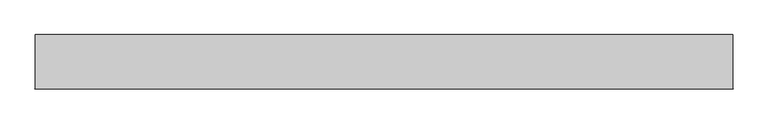
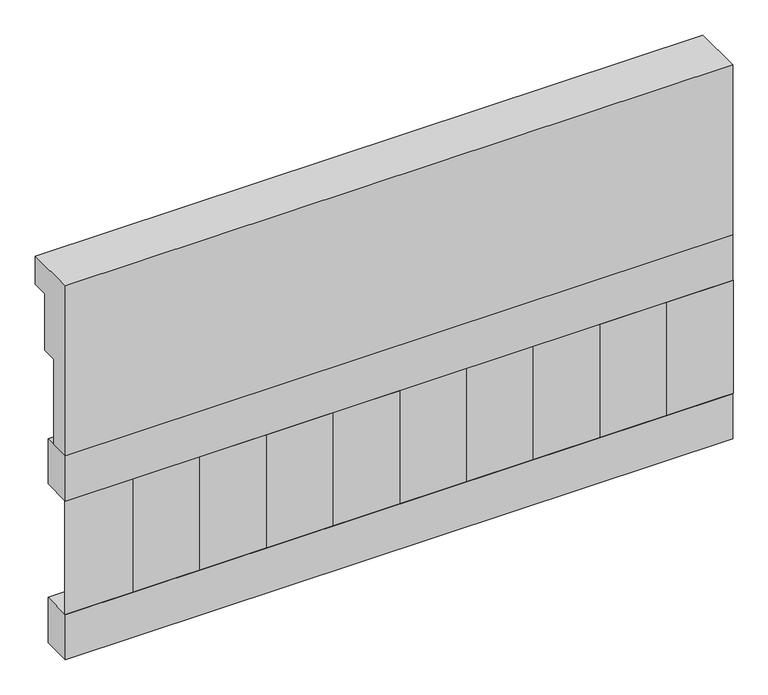
"""IFC4 building model written with IfcOpenShell, lengths in millimetres: railing geometry."""

from ifc_helpers import new_model, si_unit, frame, origin, place, context, project, spatial, polyline, outline, extrude, source, transform, mapped, element, save


def railing_77896916(model_context):
    return source(origin(), model_context, "Body", "SweptSolid", [
        extrude(outline(polyline([(903.1079487, 25100.0), (1033.1079487, 25100.0), (1033.1079487, 25025.0), (993.1079487, 25025.0), (993.1079487, 24875.0), (953.1079487, 24875.0), (953.1079487, 24650.0), (903.1079487, 24650.0), (903.1079487, 25100.0)])), frame((-19279.9887159, 0.0, 0.0), z_axis=(1.0, 0.0, 0.0), x_axis=(0.0, 1.0, 0.0)), (0.0, 0.0, 1.0), 1670.0),
        extrude(outline(polyline([(-17609.9887159, 978.1079487), (-17609.9887159, 903.1079487), (-19279.9887159, 903.1079487), (-19279.9887159, 978.1079487), (-17609.9887159, 978.1079487)])), frame((0.0, 0.0, 24530.0), z_axis=(0.0, 0.0, 1.0), x_axis=(1.0, 0.0, 0.0)), (0.0, 0.0, 1.0), 120.0),
        extrude(outline(polyline([(-17609.9887159, 978.1079487), (-17609.9887159, 903.1079487), (-19279.9887159, 903.1079487), (-19279.9887159, 978.1079487), (-17609.9887159, 978.1079487)])), frame((0.0, 0.0, 24110.0), z_axis=(0.0, 0.0, 1.0), x_axis=(1.0, 0.0, 0.0)), (0.0, 0.0, 1.0), 120.0),
        extrude(outline(polyline([(-19196.4887159, 987.9607624), (-19111.6359022, 903.1079487), (-19281.3415296, 903.1079487), (-19196.4887159, 987.9607624)])), frame((0.0, 0.0, 24230.0), z_axis=(0.0, 0.0, 1.0), x_axis=(1.0, 0.0, 0.0)), (0.0, 0.0, 1.0), 300.0),
        extrude(outline(polyline([(-19029.4887159, 987.9607624), (-18944.6359022, 903.1079487), (-19114.3415296, 903.1079487), (-19029.4887159, 987.9607624)])), frame((0.0, 0.0, 24230.0), z_axis=(0.0, 0.0, 1.0), x_axis=(1.0, 0.0, 0.0)), (0.0, 0.0, 1.0), 300.0),
        extrude(outline(polyline([(-18862.4887159, 987.9607624), (-18777.6359022, 903.1079487), (-18947.3415296, 903.1079487), (-18862.4887159, 987.9607624)])), frame((0.0, 0.0, 24230.0), z_axis=(0.0, 0.0, 1.0), x_axis=(1.0, 0.0, 0.0)), (0.0, 0.0, 1.0), 300.0),
        extrude(outline(polyline([(-18695.4887159, 987.9607624), (-18610.6359022, 903.1079487), (-18780.3415296, 903.1079487), (-18695.4887159, 987.9607624)])), frame((0.0, 0.0, 24230.0), z_axis=(0.0, 0.0, 1.0), x_axis=(1.0, 0.0, 0.0)), (0.0, 0.0, 1.0), 300.0),
        extrude(outline(polyline([(-18528.4887159, 987.9607624), (-18443.6359022, 903.1079487), (-18613.3415296, 903.1079487), (-18528.4887159, 987.9607624)])), frame((0.0, 0.0, 24230.0), z_axis=(0.0, 0.0, 1.0), x_axis=(1.0, 0.0, 0.0)), (0.0, 0.0, 1.0), 300.0),
        extrude(outline(polyline([(-18361.4887159, 987.9607624), (-18276.6359022, 903.1079487), (-18446.3415296, 903.1079487), (-18361.4887159, 987.9607624)])), frame((0.0, 0.0, 24230.0), z_axis=(0.0, 0.0, 1.0), x_axis=(1.0, 0.0, 0.0)), (0.0, 0.0, 1.0), 300.0),
        extrude(outline(polyline([(-18194.4887159, 987.9607624), (-18109.6359022, 903.1079487), (-18279.3415296, 903.1079487), (-18194.4887159, 987.9607624)])), frame((0.0, 0.0, 24230.0), z_axis=(0.0, 0.0, 1.0), x_axis=(1.0, 0.0, 0.0)), (0.0, 0.0, 1.0), 300.0),
        extrude(outline(polyline([(-18027.4887159, 987.9607624), (-17942.6359022, 903.1079487), (-18112.3415296, 903.1079487), (-18027.4887159, 987.9607624)])), frame((0.0, 0.0, 24230.0), z_axis=(0.0, 0.0, 1.0), x_axis=(1.0, 0.0, 0.0)), (0.0, 0.0, 1.0), 300.0),
        extrude(outline(polyline([(-17860.4887159, 987.9607624), (-17775.6359022, 903.1079487), (-17945.3415296, 903.1079487), (-17860.4887159, 987.9607624)])), frame((0.0, 0.0, 24230.0), z_axis=(0.0, 0.0, 1.0), x_axis=(1.0, 0.0, 0.0)), (0.0, 0.0, 1.0), 300.0),
        extrude(outline(polyline([(-17693.4887159, 987.9607624), (-17608.6359022, 903.1079487), (-17778.3415296, 903.1079487), (-17693.4887159, 987.9607624)])), frame((0.0, 0.0, 24230.0), z_axis=(0.0, 0.0, 1.0), x_axis=(1.0, 0.0, 0.0)), (0.0, 0.0, 1.0), 300.0),
    ])


if __name__ == "__main__":
    model = new_model("IFC4")
    model_context = context("Model", 3, world=origin())
    ifc_project = project(units=[si_unit("LENGTHUNIT", "METRE", prefix="MILLI")], contexts=[model_context])
    site = spatial("IfcSite", under=ifc_project)
    building = spatial("IfcBuilding", under=site)
    placement = place(None, origin())
    railing_shape = railing_77896916(model_context)
    element("IfcRailing", 1, at=placement, inside=building, context=model_context, shape_type="MappedRepresentation", body=[
        mapped(railing_shape, transform((0.0, 0.0, 0.0), x_axis=(1.0, 0.0, 0.0), y_axis=(0.0, 1.0, 0.0), z_axis=(0.0, 0.0, 1.0))),
    ])
    save(model, "model.ifc")
